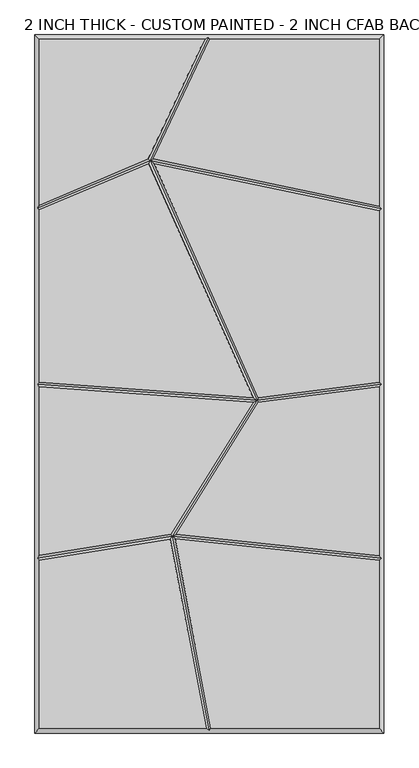
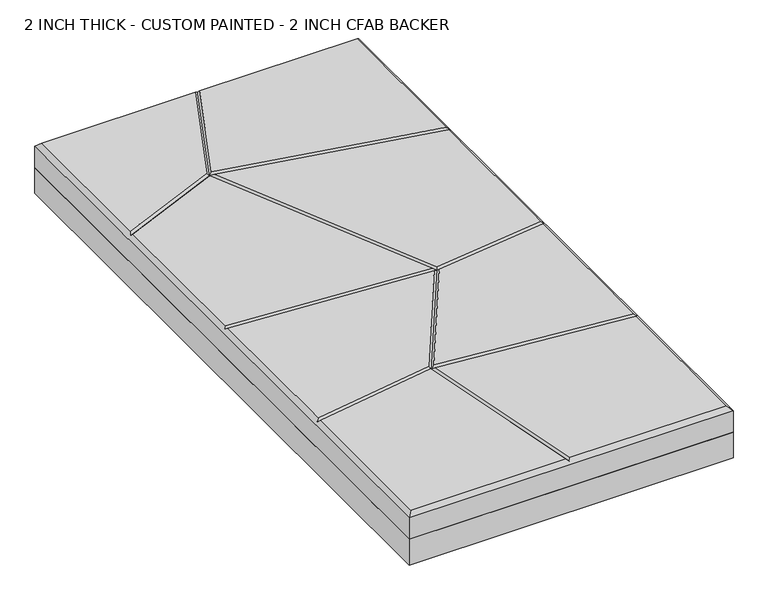
"""IFC4 building model written with IfcOpenShell, lengths in millimetres: proxy geometry, 2 INCH THICK - CUSTOM PAINTED - 2 INCH CFAB BACKER."""

from ifc_helpers import new_model, si_unit, frame, origin, place, context, project, spatial, polyline, outline, extrude, faceted_brep, source, transform, mapped, element, save


def proxy_2_inch_thick_custom_painted_2_inch_cfab_backer_4415cdc1(model_context):
    return source(origin(), model_context, "Body", "SolidModel", [
        extrude(outline(polyline([(-304.8, 609.6), (304.8, 609.6), (304.8, -609.6), (-304.8, -609.6), (-304.8, 609.6)])), frame((0.0, 0.0, -50.8), z_axis=(0.0, 0.0, 1.0), x_axis=(1.0, 0.0, 0.0)), (0.0, 0.0, 1.0), 50.8),
        faceted_brep([(-8.2028961, 601.599, 50.8), (-296.799, 601.599, 50.8), (-296.799, 312.5432369, 50.8), (-106.5730663, 393.3098245, 50.8), (-296.799, -601.599, 50.8), (-5.5875044, -601.599, 50.8), (-68.2811687, -270.685629, 50.8), (-296.799, -307.5611441, 50.8), (296.799, 601.599, 50.8), (0.6455208, 601.599, 50.8), (-97.8234472, 393.1006299, 50.8), (296.799, 310.5605776, 50.8), (2.5558226, -601.599, 50.8), (296.799, -601.599, 50.8), (296.799, -307.9855233, 50.8), (-60.1438104, -270.6541244, 50.8), (296.799, 302.386434, 50.8), (-96.7636582, 384.7048187, 50.8), (85.535097, -23.8552953, 50.8), (296.799, 3.0150912, 50.8), (-105.6591812, 385.0055382, 50.8), (-296.799, 303.850931, 50.8), (-296.799, 3.4294067, 50.8), (76.7151864, -23.7240351, 50.8), (296.799, -5.0503652, 50.8), (85.483213, -31.9273507, 50.8), (-58.2987801, -262.8024498, 50.8), (296.799, -299.9408835, 50.8), (76.1939437, -31.7082565, 50.8), (-296.799, -4.5927076, 50.8), (-296.799, -299.4566417, 50.8), (-67.5090689, -262.4565343, 50.8), (-304.8, 609.6, 0.0), (304.8, 609.6, 0.0), (304.8, -609.6, 0.0), (-304.8, -609.6, 0.0), (-304.8, -609.6, 42.799), (-304.8, 609.6, 42.799), (304.8, -609.6, 42.799), (304.8, 609.6, 42.799), (-1.8893438, 605.5995, 46.7995), (-300.7995, -304.1544464, 46.7995), (-300.7995, -0.2908252, 46.7995), (-300.7995, 306.498542, 46.7995), (-0.7579204, -605.5995, 46.7995), (300.7995, 305.6367529, 46.7995), (300.7995, -0.5088185, 46.7995), (300.7995, -304.3816017, 46.7995), (-65.0752426, -266.1160433, 46.7995), (83.0924453, -28.1987012, 46.7995), (-103.6066104, 390.2231766, 46.7995)], [[[0, 1, 2, 3]], [[4, 5, 6, 7]], [[8, 9, 10, 11]], [[12, 13, 14, 15]], [[16, 17, 18, 19]], [[20, 21, 22, 23]], [[24, 25, 26, 27]], [[28, 29, 30, 31]], [[32, 33, 34, 35]], [[32, 35, 36, 37]], [[35, 34, 38, 36]], [[34, 33, 39, 38]], [[33, 32, 37, 39]], [[37, 1, 0, 40, 9, 8, 39]], [[1, 37, 36, 4, 7, 41, 30, 29, 42, 22, 21, 43, 2]], [[4, 36, 38, 13, 12, 44, 5]], [[39, 8, 11, 45, 16, 19, 46, 24, 27, 47, 14, 13, 38]], [[44, 48, 6, 5]], [[48, 44, 12, 15]], [[48, 49, 28, 31]], [[49, 48, 26, 25]], [[49, 50, 20, 23]], [[50, 49, 18, 17]], [[50, 40, 0, 3]], [[40, 50, 10, 9]], [[45, 50, 17, 16]], [[50, 45, 11, 10]], [[50, 43, 21, 20]], [[43, 50, 3, 2]], [[46, 49, 25, 24]], [[49, 46, 19, 18]], [[49, 42, 29, 28]], [[42, 49, 23, 22]], [[47, 48, 15, 14]], [[48, 47, 27, 26]], [[48, 41, 7, 6]], [[41, 48, 31, 30]]]),
    ])


if __name__ == "__main__":
    model = new_model("IFC4")
    model_context = context("Model", 3, world=origin())
    ifc_project = project(units=[si_unit("LENGTHUNIT", "METRE", prefix="MILLI")], contexts=[model_context])
    site = spatial("IfcSite", under=ifc_project)
    building = spatial("IfcBuilding", under=site)
    placement = place(None, origin())
    proxy_2_inch_thick_custom_painted_2_inch_cfab_backer_shape = proxy_2_inch_thick_custom_painted_2_inch_cfab_backer_4415cdc1(model_context)
    element("IfcBuildingElementProxy", 1, Name="2 INCH THICK - CUSTOM PAINTED - 2 INCH CFAB BACKER", ObjectType="2 INCH THICK - CUSTOM PAINTED - 2 INCH CFAB BACKER", at=placement, inside=building, context=model_context, shape_type="MappedRepresentation", body=[
        mapped(proxy_2_inch_thick_custom_painted_2_inch_cfab_backer_shape, transform((0.0, 0.0, 0.0), x_axis=(1.0, 0.0, 0.0), y_axis=(0.0, 1.0, 0.0), z_axis=(0.0, 0.0, 1.0))),
    ])
    save(model, "model.ifc")
